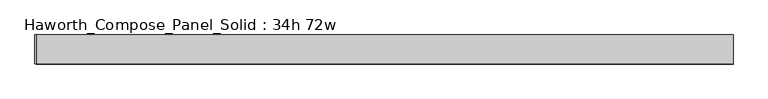
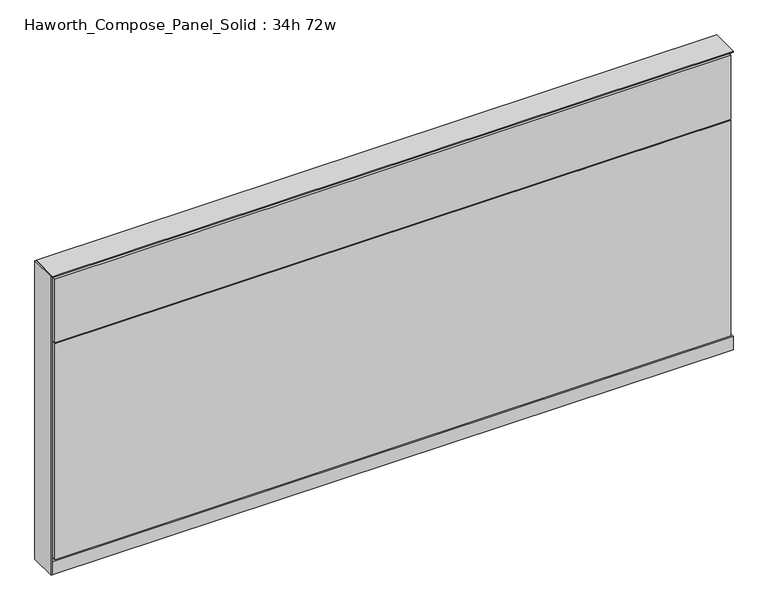
"""IFC4 building model written with IfcOpenShell, lengths in millimetres: furniture geometry, Haworth_Compose_Panel_Solid : 34h 72w."""

from ifc_helpers import new_model, si_unit, point, frame, frame_2d, origin, origin_with_axes, place, context, project, spatial, polyline, circle_curve, trimmed, segment, composite_curve, outline, extrude, source, transform, mapped, element, save


def haworth_compose_panel_solid_34h_72w_607b24a1(model_context):
    return source(origin(), model_context, "Body", "SweptSolid", [
        extrude(outline(composite_curve([segment(trimmed(circle_curve(frame_2d((-835.7597098, 0.0)), 12.7), [point((-848.4597098, 0.0))], [point((-823.0597098, 0.0))], False, "CARTESIAN"), True, "CONTINUOUS"), segment(trimmed(circle_curve(frame_2d((-835.7597098, 0.0)), 12.7), [point((-823.0597098, 0.0))], [point((-848.4597098, 0.0))], False, "CARTESIAN"), True, "CONTINUOUS")], self_intersect=False)), origin_with_axes(), (0.0, 0.0, 1.0), 12.7),
        extrude(outline(composite_curve([segment(trimmed(circle_curve(frame_2d((840.6402902, 0.0)), 12.7), [point((827.9402902, 0.0))], [point((853.3402902, 0.0))], False, "CARTESIAN"), True, "CONTINUOUS"), segment(trimmed(circle_curve(frame_2d((840.6402902, 0.0)), 12.7), [point((853.3402902, 0.0))], [point((827.9402902, 0.0))], False, "CARTESIAN"), True, "CONTINUOUS")], self_intersect=False)), origin_with_axes(), (0.0, 0.0, 1.0), 12.7),
        extrude(outline(polyline([(-915.1347098, -38.1), (-915.1347098, 38.1), (-911.9597098, 38.1), (-911.9597098, -38.1), (-915.1347098, -38.1)])), frame((0.0, 0.0, 12.7), z_axis=(0.0, 0.0, 1.0), x_axis=(1.0, 0.0, 0.0)), (0.0, 0.0, 1.0), 847.725),
        extrude(outline(polyline([(910.4902902, -38.1), (-905.6097098, -38.1), (-905.6097098, -25.4), (910.4902902, -25.4), (910.4902902, -38.1)])), frame((0.0, 0.0, 669.925), z_axis=(0.0, 0.0, 1.0), x_axis=(1.0, 0.0, 0.0)), (0.0, 0.0, 1.0), 180.975),
        extrude(outline(polyline([(910.4902902, -38.1), (-905.6097098, -38.1), (-905.6097098, -25.4), (910.4902902, -25.4), (910.4902902, -38.1)])), frame((0.0, 0.0, 53.975), z_axis=(0.0, 0.0, 1.0), x_axis=(1.0, 0.0, 0.0)), (0.0, 0.0, 1.0), 612.775),
        extrude(outline(polyline([(910.4902902, 38.1), (910.4902902, 25.4), (-905.6097098, 25.4), (-905.6097098, 38.1), (910.4902902, 38.1)])), frame((0.0, 0.0, 53.975), z_axis=(0.0, 0.0, 1.0), x_axis=(1.0, 0.0, 0.0)), (0.0, 0.0, 1.0), 796.925),
        extrude(outline(polyline([(916.8402902, -25.4), (-911.9597098, -25.4), (-911.9597098, 25.4), (916.8402902, 25.4), (916.8402902, -25.4)])), frame((0.0, 0.0, 12.7), z_axis=(0.0, 0.0, 1.0), x_axis=(1.0, 0.0, 0.0)), (0.0, 0.0, 1.0), 844.55),
        extrude(outline(polyline([(-911.9597098, 38.1), (916.8402902, 38.1), (916.8402902, -38.1), (-911.9597098, -38.1), (-911.9597098, 38.1)])), frame((0.0, 0.0, 12.7), z_axis=(0.0, 0.0, 1.0), x_axis=(1.0, 0.0, 0.0)), (0.0, 0.0, 1.0), 38.1),
        extrude(outline(polyline([(-911.9597098, 38.1), (916.8402902, 38.1), (916.8402902, -38.1), (-911.9597098, -38.1), (-911.9597098, 38.1)])), frame((0.0, 0.0, 857.25), z_axis=(0.0, 0.0, 1.0), x_axis=(1.0, 0.0, 0.0)), (0.0, 0.0, 1.0), 3.175),
    ])


if __name__ == "__main__":
    model = new_model("IFC4")
    model_context = context("Model", 3, world=origin())
    ifc_project = project(units=[si_unit("LENGTHUNIT", "METRE", prefix="MILLI")], contexts=[model_context])
    site = spatial("IfcSite", under=ifc_project)
    building = spatial("IfcBuilding", under=site)
    placement = place(None, origin())
    haworth_compose_panel_solid_34h_72w_shape = haworth_compose_panel_solid_34h_72w_607b24a1(model_context)
    element("IfcFurniture", 1, ObjectType="Haworth_Compose_Panel_Solid : 34h 72w", at=placement, inside=building, context=model_context, shape_type="MappedRepresentation", body=[
        mapped(haworth_compose_panel_solid_34h_72w_shape, transform((0.0, 0.0, 0.0), x_axis=(1.0, 0.0, 0.0), y_axis=(0.0, 1.0, 0.0), z_axis=(0.0, 0.0, 1.0))),
    ])
    save(model, "model.ifc")
